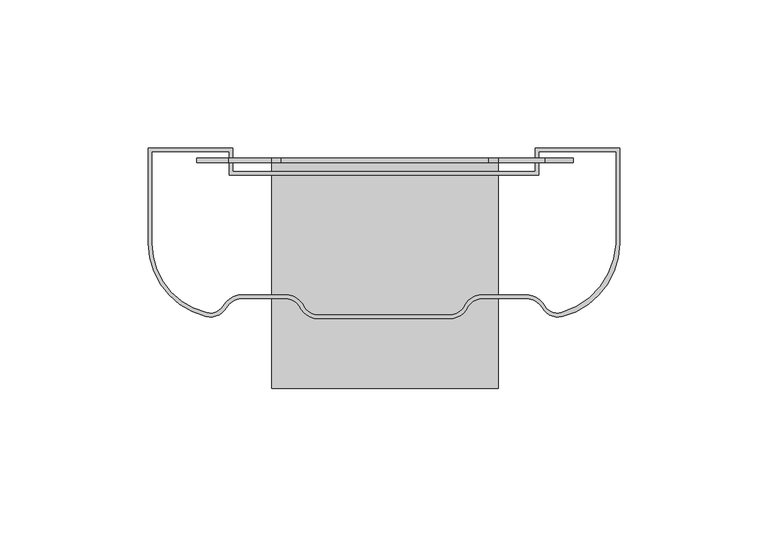
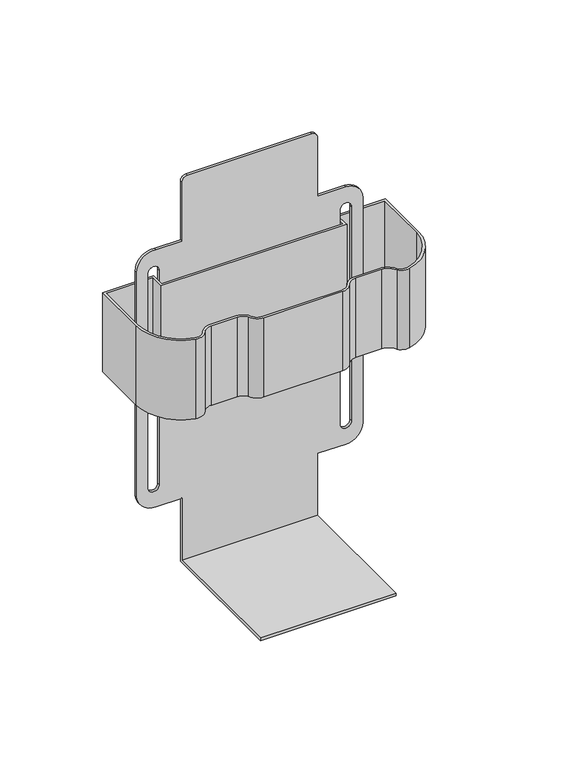
"""IFC4 building model written with IfcOpenShell, lengths in millimetres: furniture geometry."""

from ifc_helpers import new_model, si_unit, point, frame, frame_2d, origin, place, context, project, spatial, polyline, circle_curve, trimmed, segment, composite_curve, outline, extrude, source, transform, mapped, element, save
from ifc_brep_helpers import plane_surface, cylinder_surface, revolved_surface, advanced_brep


def furniture_330b8207(model_context):
    return source(origin(), model_context, "Body", "SolidModel", [
        advanced_brep(
        [(38.4526217, -93.4962754, 1007.6658426), (38.4526217, -93.4962754, 1006.1672376), (38.4526217, -15.797675, 1006.1672376), (38.4526217, -15.797675, 1044.2672422), (38.4526217, -17.2962754, 1044.2672422), (38.4526217, -17.2962754, 1007.6658426), (-37.7473783, -15.797675, 1006.1672376), (-37.7473783, -93.4962754, 1006.1672376), (-37.7473783, -93.4962754, 1007.6658426), (-37.7473783, -17.2962754, 1007.6658426), (-37.7473783, -17.2962754, 1044.2672422), (-37.7473783, -15.797675, 1044.2672422), (-52.2863301, -15.797675, 1044.2672422), (-63.1473813, -15.797675, 1053.7922422), (-63.1473813, -15.797675, 1187.2199188), (-52.2863301, -15.797675, 1196.7449188), (-37.7473783, -15.797675, 1196.7449188), (-37.7473783, -15.797675, 1231.7475996), (-34.5723779, -15.797675, 1234.9226), (35.2992554, -15.797675, 1234.9226), (38.4526217, -15.797675, 1231.7692337), (38.4526217, -15.797675, 1196.7449188), (54.3276202, -15.797675, 1196.7449188), (63.8526202, -15.797675, 1187.2199188), (63.8526202, -15.797675, 1053.7922422), (54.3276202, -15.797675, 1044.2672422), (-56.7973783, -15.797675, 1056.9672301), (-50.4473798, -15.797675, 1056.9672301), (-50.4473798, -15.797675, 1184.0449173), (-56.7973783, -15.797675, 1184.0449173), (57.5026217, -15.797675, 1056.9672301), (57.5026217, -15.797675, 1184.0449173), (51.1526187, -15.797675, 1184.0449173), (51.1526187, -15.797675, 1056.9672301), (54.3276202, -17.2962754, 1044.2672422), (63.8526202, -17.2962754, 1053.7922422), (63.8526202, -17.2962754, 1187.2199188), (54.3276202, -17.2962754, 1196.7449188), (38.4526217, -17.2962754, 1196.7449188), (38.4526217, -17.2962754, 1231.7692337), (35.2992554, -17.2962754, 1234.9226), (-34.5723779, -17.2962754, 1234.9226), (-37.7473783, -17.2962754, 1231.7475996), (-37.7473783, -17.2962754, 1196.7449188), (-52.2863301, -17.2962754, 1196.7449188), (-63.1473813, -17.2962754, 1187.2199188), (-63.1473813, -17.2962754, 1053.7922422), (-52.2863301, -17.2962754, 1044.2672422), (-56.7973783, -17.2962754, 1056.9672301), (-56.7973783, -17.2962754, 1184.0449173), (-50.4473798, -17.2962754, 1184.0449173), (-50.4473798, -17.2962754, 1056.9672301), (57.5026217, -17.2962754, 1056.9672301), (51.1526187, -17.2962754, 1056.9672301), (51.1526187, -17.2962754, 1184.0449173), (57.5026217, -17.2962754, 1184.0449173)],
        [
            (0, 1),
            (1, 2),
            (2, 3),
            (3, 4),
            (4, 5),
            (5, 0),
            (6, 7),
            (7, 8),
            (8, 9),
            (9, 10),
            (10, 11),
            (11, 6),
            (8, 0),
            (5, 9),
            (7, 1),
            (6, 2),
            (11, 12),
            (12, 13, circle_curve(frame((-52.2863301, -15.797675, 1055.2219959), z_axis=(0.0, 1.0, 0.0), x_axis=(-1.0, 0.0, 0.0)), 10.9547538)),
            (13, 14),
            (14, 15, circle_curve(frame((-53.5402055, -15.797675, 1187.2199188), z_axis=(0.0, 1.0, 0.0), x_axis=(-1.0, 0.0, 0.0)), 9.6071759)),
            (15, 16),
            (16, 17),
            (17, 18, circle_curve(frame((-34.5723779, -15.797675, 1231.7475996), z_axis=(0.0, 1.0, 0.0), x_axis=(-1.0, 0.0, 0.0)), 3.1750004)),
            (18, 19),
            (19, 20, circle_curve(frame((35.2992554, -15.797675, 1231.7692337), z_axis=(0.0, 1.0, 0.0), x_axis=(-1.0, 0.0, 0.0)), 3.1533663)),
            (20, 21),
            (21, 22),
            (22, 23, circle_curve(frame((54.3276202, -15.797675, 1187.2199188), z_axis=(0.0, 1.0, 0.0), x_axis=(-1.0, 0.0, 0.0)), 9.525)),
            (23, 24),
            (24, 25, circle_curve(frame((54.3276202, -15.797675, 1053.7922422), z_axis=(0.0, 1.0, 0.0), x_axis=(-1.0, 0.0, 0.0)), 9.525)),
            (25, 3),
            (26, 27, circle_curve(frame((-53.6223791, -15.797675, 1056.9672301), z_axis=(0.0, -1.0, 0.0), x_axis=(-1.0, 0.0, 0.0)), 3.1749992)),
            (27, 28),
            (28, 29, circle_curve(frame((-53.6223791, -15.797675, 1184.0449173), z_axis=(0.0, -1.0, 0.0), x_axis=(-1.0, 0.0, 0.0)), 3.1749992)),
            (29, 26),
            (30, 31),
            (31, 32, circle_curve(frame((54.3276202, -15.797675, 1184.0449173), z_axis=(0.0, -1.0, 0.0), x_axis=(-1.0, 0.0, 0.0)), 3.1750015)),
            (32, 33),
            (33, 30, circle_curve(frame((54.3276202, -15.797675, 1056.9672301), z_axis=(0.0, -1.0, 0.0), x_axis=(-1.0, 0.0, 0.0)), 3.1750015)),
            (34, 35, circle_curve(frame((54.3276202, -17.2962754, 1053.7922422), z_axis=(0.0, -1.0, 0.0), x_axis=(-1.0, 0.0, 0.0)), 9.525)),
            (35, 36),
            (36, 37, circle_curve(frame((54.3276202, -17.2962754, 1187.2199188), z_axis=(0.0, -1.0, 0.0), x_axis=(-1.0, 0.0, 0.0)), 9.525)),
            (37, 38),
            (38, 39),
            (39, 40, circle_curve(frame((35.2992554, -17.2962754, 1231.7692337), z_axis=(0.0, -1.0, 0.0), x_axis=(-1.0, 0.0, 0.0)), 3.1533663)),
            (40, 41),
            (41, 42, circle_curve(frame((-34.5723779, -17.2962754, 1231.7475996), z_axis=(0.0, -1.0, 0.0), x_axis=(-1.0, 0.0, 0.0)), 3.1750004)),
            (42, 43),
            (43, 44),
            (44, 45, circle_curve(frame((-53.5402055, -17.2962754, 1187.2199188), z_axis=(0.0, -1.0, 0.0), x_axis=(-1.0, 0.0, 0.0)), 9.6071759)),
            (45, 46),
            (46, 47, circle_curve(frame((-52.2863301, -17.2962754, 1055.2219959), z_axis=(0.0, -1.0, 0.0), x_axis=(-1.0, 0.0, 0.0)), 10.9547538)),
            (47, 10),
            (4, 34),
            (48, 49),
            (49, 50, circle_curve(frame((-53.6223791, -17.2962754, 1184.0449173), z_axis=(0.0, 1.0, 0.0), x_axis=(-1.0, 0.0, 0.0)), 3.1749992)),
            (50, 51),
            (51, 48, circle_curve(frame((-53.6223791, -17.2962754, 1056.9672301), z_axis=(0.0, 1.0, 0.0), x_axis=(-1.0, 0.0, 0.0)), 3.1749992)),
            (52, 53, circle_curve(frame((54.3276202, -17.2962754, 1056.9672301), z_axis=(0.0, 1.0, 0.0), x_axis=(-1.0, 0.0, 0.0)), 3.1750015)),
            (53, 54),
            (54, 55, circle_curve(frame((54.3276202, -17.2962754, 1184.0449173), z_axis=(0.0, 1.0, 0.0), x_axis=(-1.0, 0.0, 0.0)), 3.1750015)),
            (55, 52),
            (34, 25),
            (24, 35),
            (23, 36),
            (22, 37),
            (43, 16),
            (15, 44),
            (14, 45),
            (13, 46),
            (12, 47),
            (48, 26),
            (29, 49),
            (28, 50),
            (27, 51),
            (52, 30),
            (33, 53),
            (32, 54),
            (31, 55),
            (21, 38),
            (20, 39),
            (19, 40),
            (18, 41),
            (17, 42),
        ],
        [
            plane_surface(frame((38.4526217, -93.4962754, 1007.6658426), z_axis=(1.0, 0.0, 0.0), x_axis=(0.0, -1.0, 0.0))),
            plane_surface(frame((-37.7473783, -93.4962754, 1007.6658426), z_axis=(-1.0, 0.0, 0.0), x_axis=(0.0, 1.0, 0.0))),
            plane_surface(frame((38.4526217, -15.797675, 1007.6658426), z_axis=(0.0, 0.0, 1.0), x_axis=(-1.0, 0.0, 0.0))),
            plane_surface(frame((38.4526217, -93.4962754, 1007.6658426), z_axis=(0.0, -1.0, 0.0), x_axis=(-1.0, 0.0, 0.0))),
            plane_surface(frame((38.4526217, -93.4962754, 1006.1672376), z_axis=(0.0, 0.0, -1.0), x_axis=(-1.0, 0.0, 0.0))),
            plane_surface(frame((38.4526217, -15.797675, 1006.1672376), z_axis=(0.0, 1.0, 0.0), x_axis=(-1.0, 0.0, 0.0))),
            plane_surface(frame((44.8026202, -17.2962754, 1053.7922422), z_axis=(0.0, -1.0, 0.0), x_axis=(0.0, 0.0, -1.0))),
            cylinder_surface(frame((54.3276202, -15.797675, 1053.7922422), z_axis=(0.0, -1.0, 0.0), x_axis=(-1.0, 0.0, 0.0)), 9.525),
            plane_surface(frame((63.8526202, -17.2962754, 1053.7922422), z_axis=(1.0, 0.0, 0.0), x_axis=(0.0, 1.0, 0.0))),
            cylinder_surface(frame((54.3276202, -15.797675, 1187.2199188), z_axis=(0.0, -1.0, 0.0), x_axis=(-1.0, 0.0, 0.0)), 9.525),
            plane_surface(frame((-37.7473783, -17.2962754, 1196.7449188), z_axis=(4.58985543900933e-12, 0.0, 1.0), x_axis=(0.0, 1.0, 0.0))),
            cylinder_surface(frame((-53.5402055, -15.797675, 1187.2199188), z_axis=(0.0, -1.0, 0.0), x_axis=(-1.0, 0.0, 0.0)), 9.6071759),
            plane_surface(frame((-63.1473813, -17.2962754, 1187.2199188), z_axis=(-1.0, 0.0, 0.0), x_axis=(0.0, 1.0, 0.0))),
            cylinder_surface(frame((-52.2863301, -15.797675, 1055.2219959), z_axis=(0.0, -1.0, 0.0), x_axis=(-1.0, 0.0, 0.0)), 10.9547538),
            plane_surface(frame((-52.2863301, -17.2962754, 1044.2672422), z_axis=(0.0, 0.0, -1.0), x_axis=(0.0, 1.0, 0.0))),
            plane_surface(frame((-56.7973783, -17.2962754, 1056.9672301), z_axis=(1.0, 0.0, 0.0), x_axis=(0.0, 1.0, 0.0))),
            revolved_surface(polyline([(-56.797378300000005, -15.797674999999998, 1184.0449173), (-56.797378300000005, -17.2962754, 1184.0449173)]), (-53.6223791, -69.9297724, 1184.0449173), (0.0, 1.0, 0.0)),
            plane_surface(frame((-50.4473798, -17.2962754, 1184.0449173), z_axis=(-1.0, 0.0, 0.0), x_axis=(0.0, 1.0, 0.0))),
            revolved_surface(polyline([(-56.797378300000005, -15.797674999999998, 1056.9672301), (-56.797378300000005, -17.2962754, 1056.9672301)]), (-53.6223791, -69.9297724, 1056.9672301), (0.0, 1.0, 0.0)),
            revolved_surface(polyline([(51.1526187, -15.797674999999998, 1056.9672301), (51.1526187, -17.2962754, 1056.9672301)]), (54.3276202, -69.9297724, 1056.9672301), (0.0, 1.0, 0.0)),
            plane_surface(frame((51.1526187, -17.2962754, 1056.9672301), z_axis=(1.0, 0.0, 0.0), x_axis=(0.0, 1.0, 0.0))),
            revolved_surface(polyline([(51.1526187, -15.797674999999998, 1184.0449173), (51.1526187, -17.2962754, 1184.0449173)]), (54.3276202, -69.9297724, 1184.0449173), (0.0, 1.0, 0.0)),
            plane_surface(frame((57.5026217, -17.2962754, 1184.0449173), z_axis=(-1.0, 0.0, 0.0), x_axis=(0.0, 1.0, 0.0))),
            plane_surface(frame((54.3276202, -17.2962754, 1196.7449188), z_axis=(0.0, 0.0, 1.0), x_axis=(0.0, 1.0, 0.0))),
            plane_surface(frame((38.4526217, -17.2962754, 1196.7449188), z_axis=(1.0, 0.0, 0.0), x_axis=(0.0, 1.0, 0.0))),
            cylinder_surface(frame((35.2992554, -15.797675, 1231.7692337), z_axis=(0.0, -1.0, 0.0), x_axis=(-1.0, 0.0, 0.0)), 3.1533663),
            plane_surface(frame((35.2992554, -17.2962754, 1234.9226), z_axis=(0.0, 0.0, 1.0), x_axis=(0.0, 1.0, 0.0))),
            cylinder_surface(frame((-34.5723779, -15.797675, 1231.7475996), z_axis=(0.0, -1.0, 0.0), x_axis=(-1.0, 0.0, 0.0)), 3.1750004),
            plane_surface(frame((-37.7473783, -17.2962754, 1231.7475996), z_axis=(-1.0, 0.0, 0.0), x_axis=(0.0, 1.0, 0.0))),
            plane_surface(frame((38.4526217, -17.2962754, 1044.2672422), z_axis=(0.0, 0.0, -1.0), x_axis=(0.0, 1.0, 0.0))),
        ],
        [
            (0, [[1, 2, 3, 4, 5, 6]]),
            (1, [[7, 8, 9, 10, 11, 12]]),
            (2, [[13, -6, 14, -9]]),
            (3, [[-1, -13, -8, 15]]),
            (4, [[-2, -15, -7, 16]]),
            (5, [[-3, -16, -12, 17, 18, 19, 20, 21, 22, 23, 24, 25, 26, 27, 28, 29, 30, 31], [32, 33, 34, 35], [36, 37, 38, 39]]),
            (6, [[40, 41, 42, 43, 44, 45, 46, 47, 48, 49, 50, 51, 52, 53, -10, -14, -5, 54], [55, 56, 57, 58], [59, 60, 61, 62]]),
            (7, [[-40, 63, -30, 64]]),
            (8, [[-41, -64, -29, 65]]),
            (9, [[-42, -65, -28, 66]]),
            (10, [[-49, 67, -21, 68]]),
            (11, [[-50, -68, -20, 69]]),
            (12, [[-51, -69, -19, 70]]),
            (13, [[-52, -70, -18, 71]]),
            (14, [[-53, -71, -17, -11]]),
            (15, [[-55, 72, -35, 73]]),
            (16, [[-56, -73, -34, 74]]),
            (17, [[-57, -74, -33, 75]]),
            (18, [[-58, -75, -32, -72]]),
            (19, [[-59, 76, -39, 77]]),
            (20, [[-60, -77, -38, 78]]),
            (21, [[-61, -78, -37, 79]]),
            (22, [[-62, -79, -36, -76]]),
            (23, [[-43, -66, -27, 80]]),
            (24, [[-44, -80, -26, 81]]),
            (25, [[-45, -81, -25, 82]]),
            (26, [[-46, -82, -24, 83]]),
            (27, [[-47, -83, -23, 84]]),
            (28, [[-48, -84, -22, -67]]),
            (29, [[-54, -4, -31, -63]]),
        ],
    ),
        extrude(outline(composite_curve([segment(polyline([(-79.4004, -12.4749724), (-50.9401277, -12.4749724), (-50.9401277, -20.280843), (50.9338003, -20.280843), (50.9338003, -12.4749724), (79.4004, -12.4749724), (79.4004, -44.5297739)]), True, "CONTINUOUS"), segment(trimmed(circle_curve(frame_2d((54.0023881, -44.5297739)), 25.3980119), [point((79.4004, -44.5297739))], [point((60.0694299, -69.1924991))], False, "CARTESIAN"), True, "CONTINUOUS"), segment(trimmed(circle_curve(frame_2d((58.6349299, -63.2259482)), 6.1365723), [point((60.0694299, -69.1924991))], [point((54.0101091, -67.2593776))], False, "CARTESIAN"), True, "CONTINUOUS"), segment(trimmed(circle_curve(frame_2d((47.6440755, -70.193071)), 7.0094893), [point((54.0101091, -67.2593776))], [point((47.6440755, -63.1835817))], True, "CARTESIAN"), True, "CONTINUOUS"), segment(polyline([(47.6440755, -63.1835817), (33.345457, -63.1835817)]), True, "CONTINUOUS"), segment(trimmed(circle_curve(frame_2d((33.345457, -69.3076334)), 6.1240517), [point((33.345457, -63.1835817))], [point((28.2683881, -65.8831072))], True, "CARTESIAN"), True, "CONTINUOUS"), segment(trimmed(circle_curve(frame_2d((22.1275167, -63.2470105)), 6.6827619), [point((28.2683881, -65.8831072))], [point((22.1275167, -69.9297724))], False, "CARTESIAN"), True, "CONTINUOUS"), segment(polyline([(22.1275167, -69.9297724), (-22.1275167, -69.9297724)]), True, "CONTINUOUS"), segment(trimmed(circle_curve(frame_2d((-22.1275167, -63.093578)), 6.8361944), [point((-22.1275167, -69.9297724))], [point((-28.4769494, -65.6270061))], False, "CARTESIAN"), True, "CONTINUOUS"), segment(trimmed(circle_curve(frame_2d((-33.3517822, -69.2681403)), 6.0845586), [point((-28.4769494, -65.6270061))], [point((-33.3517822, -63.1835817))], True, "CARTESIAN"), True, "CONTINUOUS"), segment(polyline([(-33.3517822, -63.1835817), (-47.6504004, -63.1835817)]), True, "CONTINUOUS"), segment(trimmed(circle_curve(frame_2d((-47.6504004, -69.5335849)), 6.3500031), [point((-47.6504004, -63.1835817))], [point((-53.1036585, -66.2801996))], True, "CARTESIAN"), True, "CONTINUOUS"), segment(trimmed(circle_curve(frame_2d((-58.5569172, -63.0268139)), 6.3500039), [point((-53.1036585, -66.2801996))], [point((-60.0757574, -69.1924991))], False, "CARTESIAN"), True, "CONTINUOUS"), segment(trimmed(circle_curve(frame_2d((-54.0004005, -44.5297739)), 25.3999995), [point((-60.0757574, -69.1924991))], [point((-79.4004, -44.5297739))], False, "CARTESIAN"), True, "CONTINUOUS"), segment(polyline([(-79.4004, -44.5297739), (-79.4004, -12.4749724)]), True, "CONTINUOUS")], self_intersect=False), holes=[composite_curve([segment(polyline([(78.0478747, -13.8168162), (52.2800026, -13.8168162), (52.2800026, -21.6270431), (-52.2863301, -21.6270431), (-52.2863301, -13.8168162), (-78.0542067, -13.8168162), (-78.0542067, -44.5297739)]), True, "CONTINUOUS"), segment(trimmed(circle_curve(frame_2d((-54.0004095, -44.5297739)), 24.0537972), [point((-78.0542067, -44.5297739))], [point((-59.7537613, -67.885375))], True, "CARTESIAN"), True, "CONTINUOUS"), segment(trimmed(circle_curve(frame_2d((-58.5652471, -63.0606286)), 4.9689781), [point((-59.7537613, -67.885375))], [point((-54.3587511, -65.7056494))], True, "CARTESIAN"), True, "CONTINUOUS"), segment(trimmed(circle_curve(frame_2d((-47.650403, -69.5883179)), 7.7509385), [point((-54.3587511, -65.7056494))], [point((-47.650403, -61.8373794))], False, "CARTESIAN"), True, "CONTINUOUS"), segment(polyline([(-47.650403, -61.8373794), (-33.3517822, -61.8373794)]), True, "CONTINUOUS"), segment(trimmed(circle_curve(frame_2d((-33.3517822, -69.2159291)), 7.3785498), [point((-33.3517822, -61.8373794))], [point((-27.4098575, -64.8413975))], False, "CARTESIAN"), True, "CONTINUOUS"), segment(trimmed(circle_curve(frame_2d((-22.1275167, -62.984292)), 5.5992826), [point((-27.4098575, -64.8413975))], [point((-22.1275167, -68.5835746))], True, "CARTESIAN"), True, "CONTINUOUS"), segment(polyline([(-22.1275167, -68.5835746), (22.1275167, -68.5835746)]), True, "CONTINUOUS"), segment(trimmed(circle_curve(frame_2d((22.1275167, -63.058943)), 5.5246316), [point((22.1275167, -68.5835746))], [point((27.3189722, -64.9484783))], True, "CARTESIAN"), True, "CONTINUOUS"), segment(trimmed(circle_curve(frame_2d((33.345457, -69.2298566)), 7.3924772), [point((27.3189722, -64.9484783))], [point((33.345457, -61.8373794))], False, "CARTESIAN"), True, "CONTINUOUS"), segment(polyline([(33.345457, -61.8373794), (47.6440755, -61.8373794)]), True, "CONTINUOUS"), segment(trimmed(circle_curve(frame_2d((47.6440755, -69.5929648)), 7.7555855), [point((47.6440755, -61.8373794))], [point((54.3606096, -65.7151721))], False, "CARTESIAN"), True, "CONTINUOUS"), segment(trimmed(circle_curve(frame_2d((58.4384717, -63.3608173)), 4.7087095), [point((54.3606096, -65.7151721))], [point((59.7543376, -67.8819281))], True, "CARTESIAN"), True, "CONTINUOUS"), segment(trimmed(circle_curve(frame_2d((52.650973, -43.4758728)), 25.4187593), [point((59.7543376, -67.8819281))], [point((78.0478747, -44.5297739))], True, "CARTESIAN"), True, "CONTINUOUS"), segment(polyline([(78.0478747, -44.5297739), (78.0478747, -13.8168162)]), True, "CONTINUOUS")], self_intersect=False)]), frame((0.0, 0.0, 1130.9113055), z_axis=(0.0, 0.0, 1.0), x_axis=(1.0, 0.0, 0.0)), (0.0, 0.0, 1.0), 47.0661951),
    ])


if __name__ == "__main__":
    model = new_model("IFC4")
    model_context = context("Model", 3, world=origin())
    ifc_project = project(units=[si_unit("LENGTHUNIT", "METRE", prefix="MILLI")], contexts=[model_context])
    site = spatial("IfcSite", under=ifc_project)
    building = spatial("IfcBuilding", under=site)
    placement = place(None, origin())
    furniture_shape = furniture_330b8207(model_context)
    element("IfcFurniture", 1, at=placement, inside=building, context=model_context, shape_type="MappedRepresentation", body=[
        mapped(furniture_shape, transform((0.0, 0.0, 0.0), x_axis=(1.0, 0.0, 0.0), y_axis=(0.0, 1.0, 0.0), z_axis=(0.0, 0.0, 1.0))),
    ])
    save(model, "model.ifc")
